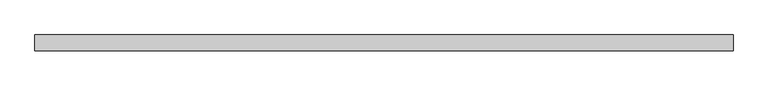
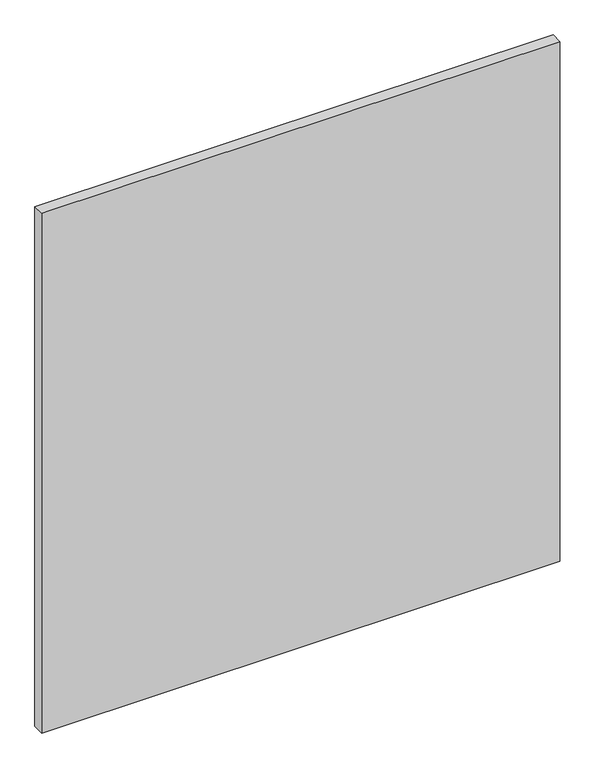
"""IFC4 building model written with IfcOpenShell, lengths in millimetres: plate geometry."""

from ifc_helpers import new_model, si_unit, origin, origin_with_axes, place, context, project, spatial, polyline, outline, extrude, source, transform, mapped, element, save


def plate_d51e86d3(model_context):
    return source(origin(), model_context, "Body", "SweptSolid", [
        extrude(outline(polyline([(830.4002431, -19.05), (-830.4002431, -19.05), (-830.4002431, 19.05), (830.4002431, 19.05), (830.4002431, -19.05)])), origin_with_axes(), (0.0, 0.0, 1.0), 1761.3),
    ])


if __name__ == "__main__":
    model = new_model("IFC4")
    model_context = context("Model", 3, world=origin())
    ifc_project = project(units=[si_unit("LENGTHUNIT", "METRE", prefix="MILLI")], contexts=[model_context])
    site = spatial("IfcSite", under=ifc_project)
    building = spatial("IfcBuilding", under=site)
    placement = place(None, origin())
    plate_shape = plate_d51e86d3(model_context)
    element("IfcPlate", 1, at=placement, inside=building, context=model_context, shape_type="MappedRepresentation", body=[
        mapped(plate_shape, transform((0.0, 0.0, 0.0), x_axis=(1.0, 0.0, 0.0), y_axis=(0.0, 1.0, 0.0), z_axis=(0.0, 0.0, 1.0))),
    ])
    save(model, "model.ifc")
